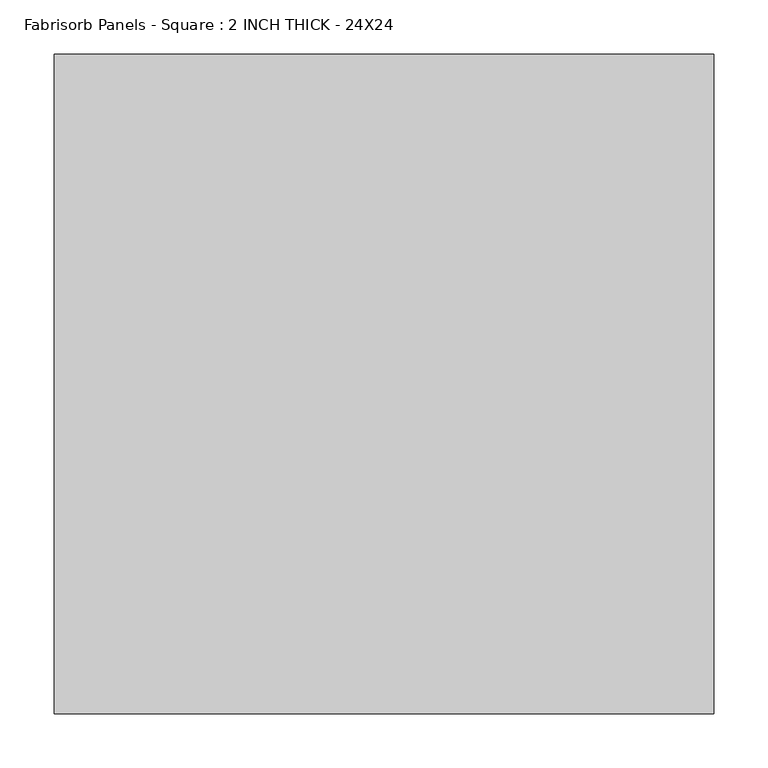
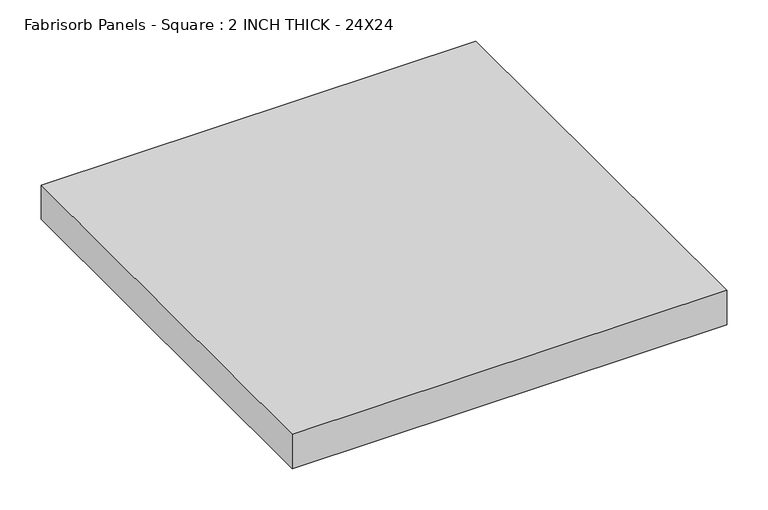
"""IFC4 building model written with IfcOpenShell, lengths in millimetres: proxy geometry, Fabrisorb Panels - Square : 2 INCH THICK - 24X24."""

import ifcopenshell
import ifcopenshell.guid

model = None  # the IFC model being written
_history = None  # IfcOwnerHistory: only IFC2X3 demands one
_inside = {}  # id of a spatial element -> (the spatial element, [elements in it])
_under = {}  # id of a project, library or spatial element -> (it, [spatial elements below it])
_declared = {}  # id of a project -> (the project, [libraries it declares])
_typed = {}  # id of a type object -> (the type object, [elements of that type])
_made_of = {}  # id of a material, layer set ... -> (it, [elements and type objects made of it])


def new_model(schema):
    """Start an empty IFC model of exactly this schema.

    Asked for "IFC4X3", IfcOpenShell would pick the latest addendum, in which some entities
    have other attributes; the version numbers below select the first issue.
    IFC2X3 requires an IfcOwnerHistory on every rooted entity: one is made here for all.
    """
    global model, _history
    if schema == "IFC4X3":
        model = ifcopenshell.file(schema_version=(4, 3, 0, 0))
    else:
        model = ifcopenshell.file(schema=schema)
    _inside.clear()
    _under.clear()
    _declared.clear()
    _typed.clear()
    _made_of.clear()
    _history = None
    if model.schema == "IFC2X3":
        org = make("IfcOrganization", Name="unknown")
        user = make(
            "IfcPersonAndOrganization",
            ThePerson=make("IfcPerson", FamilyName="unknown"),
            TheOrganization=org,
        )
        app = make(
            "IfcApplication",
            ApplicationDeveloper=org,
            Version="unknown",
            ApplicationFullName="unknown",
            ApplicationIdentifier="unknown",
        )
        _history = make(
            "IfcOwnerHistory",
            OwningUser=user,
            OwningApplication=app,
            ChangeAction="ADDED",
            CreationDate=0,
        )
    return model


def make(cls, **values):
    """One entity of the class cls with the attributes given. An attribute that is None is left unset."""
    return model.create_entity(
        cls, **{name: value for name, value in values.items() if value is not None}
    )


def rooted(cls, **values):
    """An entity with a GlobalId (a new one), such as an element, a storey or a relation."""
    return make(cls, GlobalId=ifcopenshell.guid.new(), OwnerHistory=_history, **values)


def si_unit(unit_type, name, prefix=None):
    """IfcSIUnit, for example si_unit("LENGTHUNIT", "METRE", prefix="MILLI")."""
    return make("IfcSIUnit", UnitType=unit_type, Prefix=prefix, Name=name)


def assignment(units):
    """IfcUnitAssignment: the units of a project."""
    return None if units is None else make("IfcUnitAssignment", Units=units)


def point(xyz):
    """IfcCartesianPoint."""
    return None if xyz is None else make("IfcCartesianPoint", Coordinates=xyz)


def direction(xyz):
    """IfcDirection."""
    return None if xyz is None else make("IfcDirection", DirectionRatios=xyz)


def frame(location, z_axis=None, x_axis=None):
    """IfcAxis2Placement3D, a coordinate frame: its origin and axes. An axis left out is left unset."""
    return make(
        "IfcAxis2Placement3D",
        Location=point(location),
        Axis=direction(z_axis),
        RefDirection=direction(x_axis),
    )


def origin():
    """The frame at (0, 0, 0) with its axes left unset."""
    return frame((0.0, 0.0, 0.0))


def origin_with_axes():
    """The frame at (0, 0, 0) with the z axis (0, 0, 1) and the x axis (1, 0, 0) written out."""
    return frame((0.0, 0.0, 0.0), z_axis=(0.0, 0.0, 1.0), x_axis=(1.0, 0.0, 0.0))


def place(relative_to, where):
    """IfcLocalPlacement: puts the frame where relative to a parent placement (None: the world)."""
    return make(
        "IfcLocalPlacement", PlacementRelTo=relative_to, RelativePlacement=where
    )


def context(
    kind, dimensions, precision=None, world=None, true_north=None, identifier=None
):
    """IfcGeometricRepresentationContext, for example the 3D "Model" context."""
    return make(
        "IfcGeometricRepresentationContext",
        ContextIdentifier=identifier,
        ContextType=kind,
        CoordinateSpaceDimension=dimensions,
        Precision=precision,
        WorldCoordinateSystem=world,
        TrueNorth=true_north,
    )


def project(units=None, contexts=None):
    """IfcProject with its units and contexts."""
    return rooted(
        "IfcProject",
        Name="project",
        RepresentationContexts=contexts,
        UnitsInContext=assignment(units),
    )


def spatial(cls, under=None, at=None, **own):
    """A site, building, storey or space (cls), placed at a placement, below another one or the project."""
    s = rooted(cls, ObjectPlacement=at, **own)
    if under is not None:
        _under.setdefault(under.id(), (under, []))[1].append(s)
    return s


def polyline(points):
    """IfcPolyline through the points."""
    return make("IfcPolyline", Points=[point(p) for p in points])


def outline(outer, holes=None, kind="AREA"):
    """IfcArbitraryClosedProfileDef: a profile drawn as a closed curve; with holes, ...WithVoids."""
    if holes is None:
        return make("IfcArbitraryClosedProfileDef", ProfileType=kind, OuterCurve=outer)
    return make(
        "IfcArbitraryProfileDefWithVoids",
        ProfileType=kind,
        OuterCurve=outer,
        InnerCurves=holes,
    )


def extrude(swept, where, along, depth):
    """IfcExtrudedAreaSolid: the profile swept, set in the frame where, extruded along a direction by depth."""
    return make(
        "IfcExtrudedAreaSolid",
        SweptArea=swept,
        Position=where,
        ExtrudedDirection=direction(along),
        Depth=depth,
    )


def shape(context_of_items, identifier, shape_type, items):
    """IfcShapeRepresentation: the items that make up one representation, for example the "Body"."""
    return make(
        "IfcShapeRepresentation",
        ContextOfItems=context_of_items,
        RepresentationIdentifier=identifier,
        RepresentationType=shape_type,
        Items=items,
    )


def source(mapping_origin, context_of_items, identifier, shape_type, items):
    """IfcRepresentationMap: a shape defined once, which mapped items show again and again."""
    return make(
        "IfcRepresentationMap",
        MappingOrigin=mapping_origin,
        MappedRepresentation=shape(context_of_items, identifier, shape_type, items),
    )


def transform(
    local_origin,
    x_axis=None,
    y_axis=None,
    z_axis=None,
    scale=None,
    scale2=None,
    scale3=None,
    uniform=True,
):
    """IfcCartesianTransformationOperator3D, or its non-uniform kind. x_axis, y_axis, z_axis: its Axis1, 2, 3."""
    if uniform:
        return make(
            "IfcCartesianTransformationOperator3D",
            Axis1=direction(x_axis),
            Axis2=direction(y_axis),
            LocalOrigin=point(local_origin),
            Scale=scale,
            Axis3=direction(z_axis),
        )
    return make(
        "IfcCartesianTransformationOperator3DnonUniform",
        Axis1=direction(x_axis),
        Axis2=direction(y_axis),
        LocalOrigin=point(local_origin),
        Scale=scale,
        Axis3=direction(z_axis),
        Scale2=scale2,
        Scale3=scale3,
    )


def mapped(mapping_source, mapping_target):
    """IfcMappedItem: shows the shape of a source again, moved by a transform."""
    return make(
        "IfcMappedItem", MappingSource=mapping_source, MappingTarget=mapping_target
    )


def made_of(thing, what):
    """Note that an element or type object is made of a material, layer set ...; save() writes the relation."""
    if what is not None:
        _made_of.setdefault(what.id(), (what, []))[1].append(thing)
    return thing


def element(
    cls,
    number,
    at=None,
    inside=None,
    cuts=None,
    type_object=None,
    material=None,
    context=None,
    identifier="Body",
    shape_type=None,
    held_by="IfcProductDefinitionShape",
    body=None,
    shapes=None,
    **own,
):
    """One element of the class cls, such as IfcWall. Its Tag is "e" and its number.

    at: its placement. inside: the storey or other place that contains it. cuts: it is an
    opening in that element (IfcRelVoidsElement). A single representation is given by context,
    identifier, shape_type and body (its items); several are given by shapes. held_by: the class
    of the entity that holds the representations. save() writes the other relations.
    """
    e = rooted(cls, Tag="e%d" % number, ObjectPlacement=at, **own)
    if body is not None:
        shapes = [shape(context, identifier, shape_type, body)]
    if shapes is not None:
        e.Representation = make(held_by, Representations=shapes)
    if inside is not None:
        _inside.setdefault(inside.id(), (inside, []))[1].append(e)
    if cuts is not None:
        rooted(
            "IfcRelVoidsElement", RelatingBuildingElement=cuts, RelatedOpeningElement=e
        )
    if type_object is not None:
        _typed.setdefault(type_object.id(), (type_object, []))[1].append(e)
    return made_of(e, material)


def aggregate(whole, parts):
    """IfcRelAggregates: a whole, such as a stair, and the parts it consists of."""
    return rooted("IfcRelAggregates", RelatingObject=whole, RelatedObjects=parts)


def save(model, path):
    """Write the relations noted so far, then the file.

    IfcRelAggregates (storeys below a building ...), IfcRelContainedInSpatialStructure (elements
    in a storey), IfcRelDefinesByType, IfcRelAssociatesMaterial and IfcRelDeclares: one each for
    every whole, place, type object, material and project.
    """
    for whole, parts in _under.values():
        aggregate(whole, parts)
    for where, things in _inside.values():
        rooted(
            "IfcRelContainedInSpatialStructure",
            RelatedElements=things,
            RelatingStructure=where,
        )
    for kind, things in _typed.values():
        rooted("IfcRelDefinesByType", RelatedObjects=things, RelatingType=kind)
    for what, things in _made_of.values():
        rooted("IfcRelAssociatesMaterial", RelatedObjects=things, RelatingMaterial=what)
    for by, libraries in _declared.values():
        rooted("IfcRelDeclares", RelatingContext=by, RelatedDefinitions=libraries)
    model.write(path)


def fabrisorb_panels_square_2_inch_thick_24x24_6957a6ce(model_context):
    return source(origin(), model_context, "Body", "SweptSolid", [
        extrude(outline(polyline([(-304.8, 304.8), (304.8, 304.8), (304.8, -304.8), (-304.8, -304.8), (-304.8, 304.8)])), origin_with_axes(), (0.0, 0.0, 1.0), 50.8),
    ])


if __name__ == "__main__":
    model = new_model("IFC4")
    model_context = context("Model", 3, world=origin())
    ifc_project = project(units=[si_unit("LENGTHUNIT", "METRE", prefix="MILLI")], contexts=[model_context])
    site = spatial("IfcSite", under=ifc_project)
    building = spatial("IfcBuilding", under=site)
    placement = place(None, origin())
    fabrisorb_panels_square_2_inch_thick_24x24_shape = fabrisorb_panels_square_2_inch_thick_24x24_6957a6ce(model_context)
    element("IfcBuildingElementProxy", 1, Name="Fabrisorb Panels - Square : 2 INCH THICK - 24X24", ObjectType="Fabrisorb Panels - Square : 2 INCH THICK - 24X24", at=placement, inside=building, context=model_context, shape_type="MappedRepresentation", body=[
        mapped(fabrisorb_panels_square_2_inch_thick_24x24_shape, transform((0.0, 0.0, 0.0), x_axis=(1.0, 0.0, 0.0), y_axis=(0.0, 1.0, 0.0), z_axis=(0.0, 0.0, 1.0))),
    ])
    save(model, "model.ifc")
